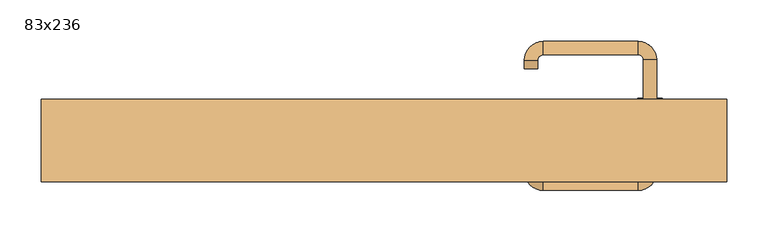
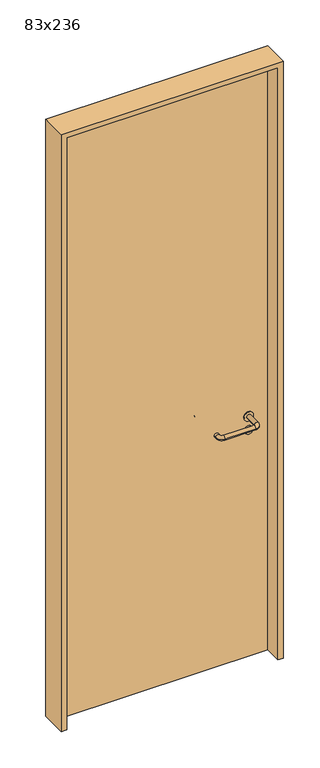
"""IFC4 building model written with IfcOpenShell, lengths in millimetres: door geometry, 83x236."""

from ifc_helpers import new_model, si_unit, point, frame, frame_2d, origin, origin_with_axes, place, context, project, spatial, polyline, circle_curve, ellipse_curve, trimmed, segment, composite_curve, outline, extrude, source, transform, mapped, element, save
from ifc_brep_helpers import plane_surface, cylinder_surface, revolved_surface, advanced_brep


def door_83x236_169e4398(model_context):
    return source(origin(), model_context, "Body", "SolidModel", [
        extrude(outline(composite_curve([segment(trimmed(circle_curve(frame_2d((897.3605726, 322.0)), 15.0), [point((897.3605726, 337.0))], [point((897.3605726, 307.0))], False, "CARTESIAN"), True, "CONTINUOUS"), segment(trimmed(circle_curve(frame_2d((897.3605726, 322.0)), 15.0), [point((897.3605726, 307.0))], [point((897.3605726, 337.0))], False, "CARTESIAN"), True, "CONTINUOUS")], self_intersect=False), holes=[composite_curve([segment(trimmed(circle_curve(frame_2d((892.5833211, 321.9398032)), 2.0), [point((892.5833211, 323.9398032))], [point((892.5833211, 319.9398032))], True, "CARTESIAN"), True, "CONTINUOUS"), segment(polyline([(892.5833211, 319.9398032), (902.5833211, 319.9398032)]), True, "CONTINUOUS"), segment(trimmed(circle_curve(frame_2d((902.5833211, 321.9398032)), 2.0), [point((902.5833211, 319.9398032))], [point((902.5833211, 323.9398032))], True, "CARTESIAN"), True, "CONTINUOUS"), segment(polyline([(902.5833211, 323.9398032), (892.5833211, 323.9398032)]), True, "CONTINUOUS")], self_intersect=False)]), frame((0.0, 33.65, 0.0), z_axis=(0.0, 1.0, 0.0), x_axis=(0.0, 0.0, 1.0)), (0.0, 0.0, 1.0), 6.35),
        extrude(outline(composite_curve([segment(trimmed(circle_curve(frame_2d((950.0, 322.0)), 17.526), [point((950.0, 339.526))], [point((950.0, 304.474))], False, "CARTESIAN"), True, "CONTINUOUS"), segment(trimmed(circle_curve(frame_2d((950.0, 322.0)), 17.526), [point((950.0, 304.474))], [point((950.0, 339.526))], False, "CARTESIAN"), True, "CONTINUOUS")], self_intersect=False)), frame((0.0, 36.825, 0.0), z_axis=(0.0, 1.0, 0.0), x_axis=(0.0, 0.0, 1.0)), (0.0, 0.0, 1.0), 3.175),
        advanced_brep(
        [(330.0, 40.0, 950.0), (314.0, 40.0, 950.0), (314.0, -13.0, 950.0), (330.0, -13.0, 950.0), (307.8578644, -19.1421356, 950.0), (307.8578644, -35.1421356, 950.0), (192.8578644, -19.1421356, 950.0), (192.8578644, -35.1421356, 950.0), (186.008622, -12.2928932, 950.0), (170.008622, -12.2928932, 950.0), (170.008622, -2.2928932, 950.0), (186.008622, -2.2928932, 950.0)],
        [
            (0, 1, circle_curve(frame((322.0, 40.0, 950.0), z_axis=(0.0, 1.0, 0.0), x_axis=(-1.0, 0.0, 0.0)), 8.0)),
            (1, 0, circle_curve(frame((322.0, 40.0, 950.0), z_axis=(0.0, 1.0, 0.0), x_axis=(-1.0, 0.0, 0.0)), 8.0)),
            (1, 2),
            (2, 3, circle_curve(frame((322.0, -13.0, 950.0), z_axis=(0.0, 1.0, 0.0), x_axis=(-1.0, 0.0, 0.0)), 8.0)),
            (3, 0),
            (3, 2, circle_curve(frame((322.0, -13.0, 950.0), z_axis=(0.0, 1.0, 0.0), x_axis=(-1.0, 0.0, 0.0)), 8.0)),
            (4, 5, circle_curve(frame((307.8578644, -27.1421356, 950.0), z_axis=(1.0, 0.0, 0.0), x_axis=(0.0, 1.0, 0.0)), 8.0)),
            (5, 3, circle_curve(frame((307.8578644, -13.0, 950.0), z_axis=(0.0, 0.0, 1.0), x_axis=(1.0, 0.0, 0.0)), 22.1421356)),
            (2, 4, circle_curve(frame((307.8578644, -13.0, 950.0), z_axis=(0.0, 0.0, -1.0), x_axis=(1.0, 0.0, 0.0)), 6.1421356)),
            (5, 4, circle_curve(frame((307.8578644, -27.1421356, 950.0), z_axis=(1.0, 0.0, 0.0), x_axis=(0.0, 1.0, 0.0)), 8.0)),
            (4, 6),
            (6, 7, circle_curve(frame((192.8578644, -27.1421356, 950.0), z_axis=(1.0, 0.0, 0.0), x_axis=(0.0, 1.0, 0.0)), 8.0)),
            (7, 5),
            (7, 6, circle_curve(frame((192.8578644, -27.1421356, 950.0), z_axis=(1.0, 0.0, 0.0), x_axis=(0.0, 1.0, 0.0)), 8.0)),
            (8, 9, circle_curve(frame((178.008622, -12.2928932, 950.0), z_axis=(0.0, -1.0, 0.0), x_axis=(1.0, 0.0, 0.0)), 8.0)),
            (9, 7, circle_curve(frame((192.8578644, -12.2928932, 950.0), z_axis=(0.0, 0.0, 1.0), x_axis=(0.0, -1.0, 0.0)), 22.8492424)),
            (6, 8, circle_curve(frame((192.8578644, -12.2928932, 950.0), z_axis=(0.0, 0.0, -1.0), x_axis=(0.0, -1.0, 0.0)), 6.8492424)),
            (9, 8, circle_curve(frame((178.008622, -12.2928932, 950.0), z_axis=(0.0, -1.0, 0.0), x_axis=(1.0, 0.0, 0.0)), 8.0)),
            (10, 11, circle_curve(frame((178.008622, -2.2928932, 950.0), z_axis=(0.0, 1.0, 0.0), x_axis=(1.0, 0.0, 0.0)), 8.0)),
            (11, 10, circle_curve(frame((178.008622, -2.2928932, 950.0), z_axis=(0.0, 1.0, 0.0), x_axis=(1.0, 0.0, 0.0)), 8.0)),
            (8, 11),
            (10, 9),
        ],
        [
            plane_surface(frame((322.0, 40.0, 0.0), z_axis=(0.0, 1.0, 0.0), x_axis=(0.0, 0.0, 1.0))),
            cylinder_surface(frame((322.0, 40.0, 950.0), z_axis=(0.0, 1.0, 0.0), x_axis=(-1.0, 0.0, 0.0)), 8.0),
            revolved_surface(trimmed(ellipse_curve(frame((322.0, -13.0, 950.0), z_axis=(0.0, -1.0, 0.0), x_axis=(-1.0, 0.0, 0.0)), 8.0, 8.0), [point((330.0, -13.0, 950.0))], [point((314.0, -13.0, 950.0))], True, "CARTESIAN"), (307.8578644, -13.0, 0.0), (0.0, 0.0, 1.0)),
            revolved_surface(trimmed(ellipse_curve(frame((322.0, -13.0, 950.0), z_axis=(0.0, -1.0, 0.0), x_axis=(-1.0, 0.0, 0.0)), 8.0, 8.0), [point((314.0, -13.0, 950.0))], [point((330.0, -13.0, 950.0))], True, "CARTESIAN"), (307.8578644, -13.0, 0.0), (0.0, 0.0, 1.0)),
            cylinder_surface(frame((307.8578644, -27.1421356, 950.0), z_axis=(1.0, 0.0, 0.0), x_axis=(0.0, 1.0, 0.0)), 8.0),
            revolved_surface(trimmed(ellipse_curve(frame((192.8578644, -27.1421356, 950.0), z_axis=(-1.0, 0.0, 0.0), x_axis=(0.0, 1.0, 0.0)), 8.0, 8.0), [point((192.8578644, -35.1421356, 950.0))], [point((192.8578644, -19.1421356, 950.0))], True, "CARTESIAN"), (192.8578644, -12.2928932, 0.0), (0.0, 0.0, 1.0)),
            revolved_surface(trimmed(ellipse_curve(frame((192.8578644, -27.1421356, 950.0), z_axis=(-1.0, 0.0, 0.0), x_axis=(0.0, 1.0, 0.0)), 8.0, 8.0), [point((192.8578644, -19.1421356, 950.0))], [point((192.8578644, -35.1421356, 950.0))], True, "CARTESIAN"), (192.8578644, -12.2928932, 0.0), (0.0, 0.0, 1.0)),
            plane_surface(frame((178.008622, -2.2928932, 0.0), z_axis=(0.0, 1.0, 0.0), x_axis=(0.0, 0.0, 1.0))),
            cylinder_surface(frame((178.008622, -12.2928932, 950.0), z_axis=(0.0, -1.0, 0.0), x_axis=(1.0, 0.0, 0.0)), 8.0),
        ],
        [
            (0, [[1, 2]]),
            (1, [[3, 4, 5, -2]]),
            (1, [[-5, 6, -3, -1]]),
            (2, [[7, 8, -4, 9]]),
            (3, [[10, -9, -6, -8]]),
            (4, [[11, 12, 13, -7]]),
            (4, [[-13, 14, -11, -10]]),
            (5, [[15, 16, -12, 17]]),
            (6, [[18, -17, -14, -16]]),
            (7, [[19, 20]]),
            (8, [[21, -19, 22, -15]]),
            (8, [[-22, -20, -21, -18]]),
        ],
    ),
        extrude(outline(composite_curve([segment(trimmed(circle_curve(frame_2d((0.0, -15.0)), 15.0), [point((0.0, -30.0))], [point((0.0, 0.0))], False, "CARTESIAN"), True, "CONTINUOUS"), segment(trimmed(circle_curve(frame_2d((0.0, -15.0)), 15.0), [point((0.0, 0.0))], [point((0.0, -30.0))], False, "CARTESIAN"), True, "CONTINUOUS")], self_intersect=False), holes=[composite_curve([segment(trimmed(circle_curve(frame_2d((4.7772515, -14.9398032)), 2.0), [point((4.7772515, -16.9398032))], [point((4.7772515, -12.9398032))], True, "CARTESIAN"), True, "CONTINUOUS"), segment(polyline([(4.7772515, -12.9398032), (-5.2227485, -12.9398032)]), True, "CONTINUOUS"), segment(trimmed(circle_curve(frame_2d((-5.2227485, -14.9398032)), 2.0), [point((-5.2227485, -12.9398032))], [point((-5.2227485, -16.9398032))], True, "CARTESIAN"), True, "CONTINUOUS"), segment(polyline([(-5.2227485, -16.9398032), (4.7772515, -16.9398032)]), True, "CONTINUOUS")], self_intersect=False)]), frame((307.0, 70.0, 897.3605726), z_axis=(1.8870575173328306e-12, 1.0, 0.0), x_axis=(0.0, 0.0, -1.0)), (0.0, 0.0, 1.0), 6.35),
        extrude(outline(composite_curve([segment(trimmed(circle_curve(frame_2d((0.0, -17.526)), 17.526), [point((0.0, -35.052))], [point((0.0, 0.0))], False, "CARTESIAN"), True, "CONTINUOUS"), segment(trimmed(circle_curve(frame_2d((0.0, -17.526)), 17.526), [point((0.0, 0.0))], [point((0.0, -35.052))], False, "CARTESIAN"), True, "CONTINUOUS")], self_intersect=False)), frame((304.474, 70.0, 950.0), z_axis=(1.8870575173328306e-12, 1.0, 0.0), x_axis=(0.0, 0.0, -1.0)), (0.0, 0.0, 1.0), 3.175),
        advanced_brep(
        [(330.0, 70.0, 950.0), (314.0, 70.0, 950.0), (330.0, 123.0, 950.0), (314.0, 123.0, 950.0), (307.8578644, 129.1421356, 950.0), (307.8578644, 145.1421356, 950.0), (192.8578644, 145.1421356, 950.0), (192.8578644, 129.1421356, 950.0), (186.008622, 122.2928932, 950.0), (170.008622, 122.2928932, 950.0), (170.008622, 112.2928932, 950.0), (186.008622, 112.2928932, 950.0)],
        [
            (0, 1, circle_curve(frame((322.0, 70.0, 950.0), z_axis=(-1.888672253512351e-12, -1.0, 0.0), x_axis=(-1.0, 1.888672253512351e-12, 0.0)), 8.0)),
            (1, 0, circle_curve(frame((322.0, 70.0, 950.0), z_axis=(-1.888672253512351e-12, -1.0, 0.0), x_axis=(-1.0, 1.888672253512351e-12, 0.0)), 8.0)),
            (0, 2),
            (2, 3, circle_curve(frame((322.0, 123.0, 950.0), z_axis=(-1.888672253512351e-12, -1.0, 0.0), x_axis=(-1.0, 1.888672253512351e-12, 0.0)), 8.0)),
            (3, 1),
            (3, 2, circle_curve(frame((322.0, 123.0, 950.0), z_axis=(-1.888672253512351e-12, -1.0, 0.0), x_axis=(-1.0, 1.888672253512351e-12, 0.0)), 8.0)),
            (4, 3, circle_curve(frame((307.8578644, 123.0, 950.0), z_axis=(0.0, 0.0, -1.0), x_axis=(1.0, -1.880717803715015e-12, 0.0)), 6.1421356)),
            (2, 5, circle_curve(frame((307.8578644, 123.0, 950.0), z_axis=(0.0, 0.0, 1.0), x_axis=(1.0, -1.880717803715015e-12, 0.0)), 22.1421356)),
            (5, 4, circle_curve(frame((307.8578644, 137.1421356, 950.0), z_axis=(1.0, -1.913702061528922e-12, 0.0), x_axis=(-1.913702061528922e-12, -1.0, 0.0)), 8.0)),
            (4, 5, circle_curve(frame((307.8578644, 137.1421356, 950.0), z_axis=(1.0, -1.913702061528922e-12, 0.0), x_axis=(-1.913702061528922e-12, -1.0, 0.0)), 8.0)),
            (5, 6),
            (6, 7, circle_curve(frame((192.8578644, 137.1421356, 950.0), z_axis=(1.0, -1.913719828541269e-12, 0.0), x_axis=(-1.913719828541269e-12, -1.0, 0.0)), 8.0)),
            (7, 4),
            (7, 6, circle_curve(frame((192.8578644, 137.1421356, 950.0), z_axis=(1.0, -1.913719828541269e-12, 0.0), x_axis=(-1.913719828541269e-12, -1.0, 0.0)), 8.0)),
            (8, 7, circle_curve(frame((192.8578644, 122.2928932, 950.0), z_axis=(0.0, 0.0, -1.0), x_axis=(1.9120873253494017e-12, 1.0, 0.0)), 6.8492424)),
            (6, 9, circle_curve(frame((192.8578644, 122.2928932, 950.0), z_axis=(0.0, 0.0, 1.0), x_axis=(1.9120873253494017e-12, 1.0, 0.0)), 22.8492424)),
            (9, 8, circle_curve(frame((178.008622, 122.2928932, 950.0), z_axis=(1.890448610351751e-12, 1.0, 0.0), x_axis=(1.0, -1.890448610351751e-12, 0.0)), 8.0)),
            (8, 9, circle_curve(frame((178.008622, 122.2928932, 950.0), z_axis=(1.8888942981172756e-12, 1.0, 0.0), x_axis=(1.0, -1.8888942981172756e-12, 0.0)), 8.0)),
            (10, 11, circle_curve(frame((178.008622, 112.2928932, 950.0), z_axis=(-1.8903642334018795e-12, -1.0, 0.0), x_axis=(1.0, -1.8903642334018795e-12, 0.0)), 8.0)),
            (11, 10, circle_curve(frame((178.008622, 112.2928932, 950.0), z_axis=(-1.8903642334018795e-12, -1.0, 0.0), x_axis=(1.0, -1.8903642334018795e-12, 0.0)), 8.0)),
            (9, 10),
            (11, 8),
        ],
        [
            plane_surface(frame((322.0, 70.0, 0.0), z_axis=(-1.8870575173328306e-12, -1.0, 0.0), x_axis=(0.0, 0.0, 1.0))),
            cylinder_surface(frame((322.0, 70.0, 950.0), z_axis=(-1.888672253512351e-12, -1.0, 0.0), x_axis=(-1.0, 1.888672253512351e-12, 0.0)), 8.0),
            revolved_surface(trimmed(ellipse_curve(frame((322.0, 123.0, 950.0), z_axis=(-1.8823325398945356e-12, -1.0, 0.0), x_axis=(-1.0, 1.8823325398945356e-12, 0.0)), 8.0, 8.0), [point((330.0, 123.0, 950.0))], [point((314.0, 123.0, 950.0))], True, "CARTESIAN"), (307.8578644, 123.0, 0.0), (0.0, 0.0, 1.0)),
            revolved_surface(trimmed(ellipse_curve(frame((322.0, 123.0, 950.0), z_axis=(-1.8823325398945356e-12, -1.0, 0.0), x_axis=(-1.0, 1.8823325398945356e-12, 0.0)), 8.0, 8.0), [point((314.0, 123.0, 950.0))], [point((330.0, 123.0, 950.0))], True, "CARTESIAN"), (307.8578644, 123.0, 0.0), (0.0, 0.0, 1.0)),
            cylinder_surface(frame((307.8578644, 137.1421356, 950.0), z_axis=(1.0, -1.913719828541269e-12, 0.0), x_axis=(-1.913719828541269e-12, -1.0, 0.0)), 8.0),
            revolved_surface(trimmed(ellipse_curve(frame((192.8578644, 137.1421356, 950.0), z_axis=(1.0, -1.913702061528922e-12, 0.0), x_axis=(-1.913702061528922e-12, -1.0, 0.0)), 8.0, 8.0), [point((192.8578644, 145.1421356, 950.0))], [point((192.8578644, 129.1421356, 950.0))], True, "CARTESIAN"), (192.8578644, 122.2928932, 0.0), (0.0, 0.0, 1.0)),
            revolved_surface(trimmed(ellipse_curve(frame((192.8578644, 137.1421356, 950.0), z_axis=(1.0, -1.913702061528922e-12, 0.0), x_axis=(-1.913702061528922e-12, -1.0, 0.0)), 8.0, 8.0), [point((192.8578644, 129.1421356, 950.0))], [point((192.8578644, 145.1421356, 950.0))], True, "CARTESIAN"), (192.8578644, 122.2928932, 0.0), (0.0, 0.0, 1.0)),
            plane_surface(frame((178.008622, 112.2928932, 0.0), z_axis=(-1.8887494972223595e-12, -1.0, 0.0), x_axis=(0.0, 0.0, 1.0))),
            cylinder_surface(frame((178.008622, 122.2928932, 950.0), z_axis=(1.8903642334018795e-12, 1.0, 0.0), x_axis=(1.0, -1.8903642334018795e-12, 0.0)), 8.0),
        ],
        [
            (0, [[1, 2]]),
            (1, [[-1, 3, 4, 5]]),
            (1, [[-2, -5, 6, -3]]),
            (2, [[7, -4, 8, 9]]),
            (3, [[-8, -6, -7, 10]]),
            (4, [[-9, 11, 12, 13]]),
            (4, [[-10, -13, 14, -11]]),
            (5, [[15, -12, 16, 17]]),
            (6, [[-16, -14, -15, 18]]),
            (7, [[19, 20]]),
            (8, [[-17, 21, -20, 22]]),
            (8, [[-18, -22, -19, -21]]),
        ],
    ),
        extrude(outline(polyline([(2340.0, 395.0), (0.0, 395.0), (0.0, 415.0), (2360.0, 415.0), (2360.0, -415.0), (0.0, -415.0), (0.0, -395.0), (2340.0, -395.0), (2340.0, 395.0)])), frame((0.0, -25.0, 0.0), z_axis=(0.0, 1.0, 0.0), x_axis=(0.0, 0.0, 1.0)), (0.0, 0.0, 1.0), 100.0),
        extrude(outline(polyline([(-395.0, 70.0), (395.0, 70.0), (395.0, 40.0), (-395.0, 40.0), (-395.0, 70.0)])), origin_with_axes(), (0.0, 0.0, 1.0), 2340.0),
    ])


if __name__ == "__main__":
    model = new_model("IFC4")
    model_context = context("Model", 3, world=origin())
    ifc_project = project(units=[si_unit("LENGTHUNIT", "METRE", prefix="MILLI")], contexts=[model_context])
    site = spatial("IfcSite", under=ifc_project)
    building = spatial("IfcBuilding", under=site)
    placement = place(None, origin())
    door_83x236_shape = door_83x236_169e4398(model_context)
    element("IfcDoor", 1, ObjectType="83x236", at=placement, inside=building, context=model_context, shape_type="MappedRepresentation", body=[
        mapped(door_83x236_shape, transform((0.0, 0.0, 0.0), x_axis=(1.0, 0.0, 0.0), y_axis=(0.0, 1.0, 0.0), z_axis=(0.0, 0.0, 1.0))),
    ])
    save(model, "model.ifc")
